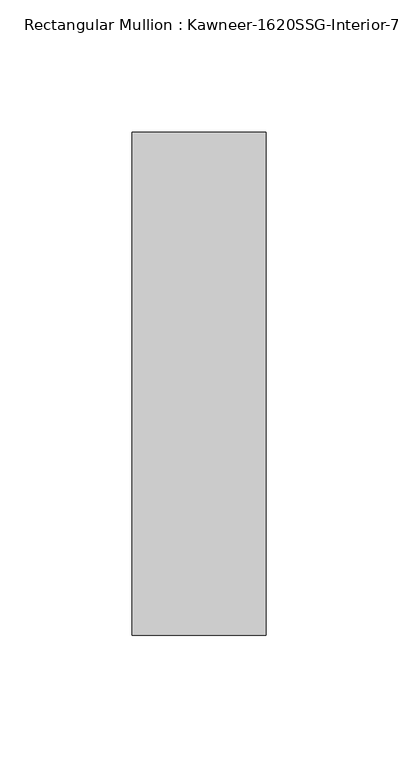
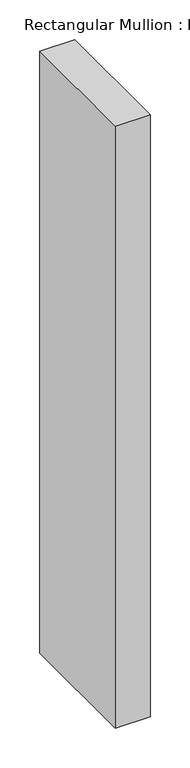
"""IFC4 building model written with IfcOpenShell, lengths in millimetres: member geometry."""

from ifc_helpers import new_model, si_unit, frame, origin, place, context, project, spatial, polyline, outline, extrude, source, transform, mapped, element, save


def member_be0a0d6d(model_context):
    return source(origin(), model_context, "Body", "SweptSolid", [
        extrude(outline(polyline([(25.4, -152.4), (-25.4, -152.4), (-25.4, 38.1), (25.4, 38.1), (25.4, -152.4)])), frame((0.0, 0.0, -927.2401949), z_axis=(0.0, 0.0, 1.0), x_axis=(1.0, 0.0, 0.0)), (0.0, 0.0, 1.0), 927.2401949),
    ])


if __name__ == "__main__":
    model = new_model("IFC4")
    model_context = context("Model", 3, world=origin())
    ifc_project = project(units=[si_unit("LENGTHUNIT", "METRE", prefix="MILLI")], contexts=[model_context])
    site = spatial("IfcSite", under=ifc_project)
    building = spatial("IfcBuilding", under=site)
    placement = place(None, origin())
    member_shape = member_be0a0d6d(model_context)
    element("IfcMember", 1, ObjectType="Rectangular Mullion : Kawneer-1620SSG-Interior-7.5\"-1\"Infill", at=placement, inside=building, context=model_context, shape_type="MappedRepresentation", body=[
        mapped(member_shape, transform((0.0, 0.0, 0.0), x_axis=(1.0, 0.0, 0.0), y_axis=(0.0, 1.0, 0.0), z_axis=(0.0, 0.0, 1.0))),
    ])
    save(model, "model.ifc")
